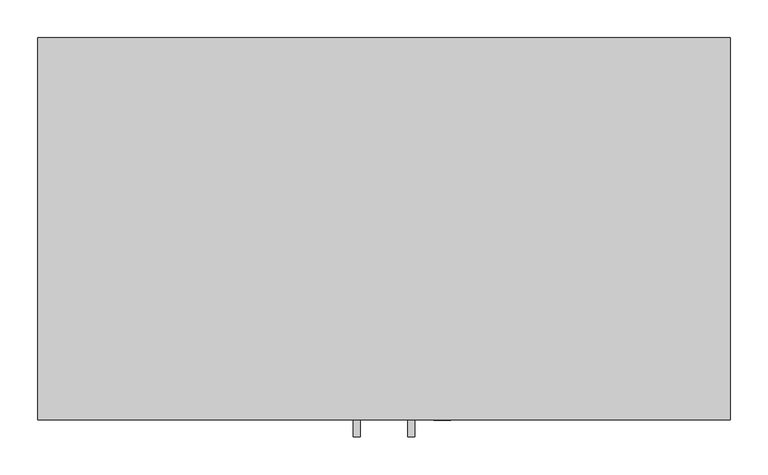
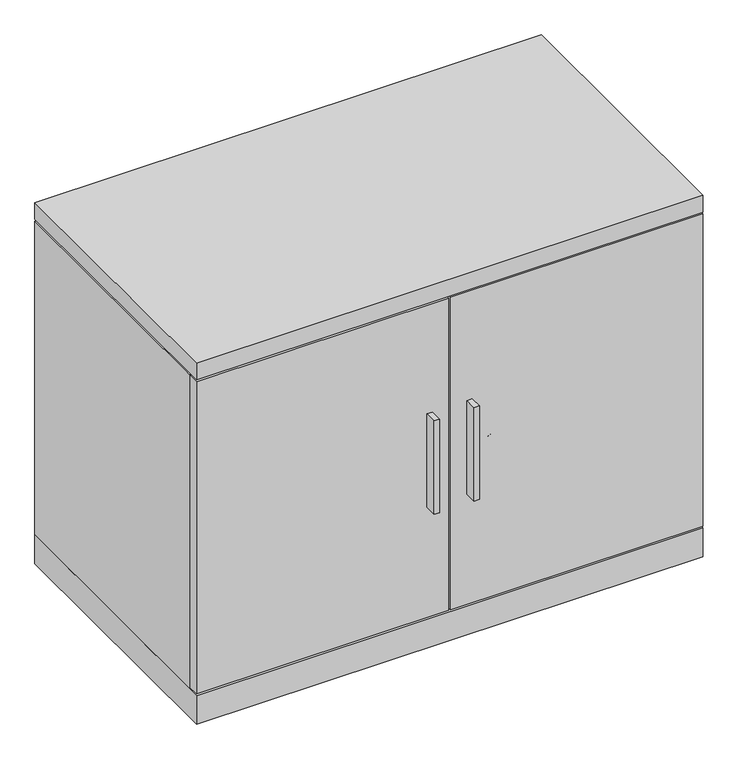
"""IFC4 building model written with IfcOpenShell, lengths in millimetres: furniture geometry."""

from ifc_helpers import new_model, si_unit, point, frame, frame_2d, origin, origin_with_axes, place, context, project, spatial, polyline, circle_curve, trimmed, segment, composite_curve, outline, extrude, faceted_brep, source, transform, mapped, element, save


def furniture_649ae58a(model_context):
    return source(origin(), model_context, "Body", "SolidModel", [
        extrude(outline(polyline([(416.4965, -527.2278), (416.4965, -505.0028), (426.0215, -505.0028), (426.0215, -527.2278), (416.4965, -527.2278)])), frame((0.0, 0.0, 270.5785861), z_axis=(0.0, 0.0, 1.0), x_axis=(1.0, 0.0, 0.0)), (0.0, 0.0, 1.0), 177.8),
        extrude(outline(polyline([(497.9035, -527.2278), (488.3785, -527.2278), (488.3785, -505.0028), (497.9035, -505.0028), (497.9035, -527.2278)])), frame((0.0, 0.0, 270.5785861), z_axis=(0.0, 0.0, 1.0), x_axis=(1.0, 0.0, 0.0)), (0.0, 0.0, 1.0), 177.8),
        extrude(outline(polyline([(912.8125, -1.524), (912.8125, -505.0028), (1.5875, -505.0028), (1.5875, -1.524), (912.8125, -1.524)])), frame((0.0, 0.0, 3.175), z_axis=(0.0, 0.0, 1.0), x_axis=(1.0, 0.0, 0.0)), (0.0, 0.0, 1.0), 54.74208),
        extrude(outline(polyline([(7.9375, -7.874), (906.4625, -7.874), (906.4625, -476.9358), (7.9375, -476.9358), (7.9375, -7.874)])), frame((0.0, 0.0, 654.81708), z_axis=(0.0, 0.0, 1.0), x_axis=(1.0, 0.0, 0.0)), (0.0, 0.0, 1.0), 3.175),
        extrude(outline(polyline([(1.5875, -485.6988), (455.6125, -485.6988), (455.6125, -505.0028), (1.5875, -505.0028), (1.5875, -485.6988)])), frame((0.0, 0.0, 61.09208), z_axis=(0.0, 0.0, 1.0), x_axis=(1.0, 0.0, 0.0)), (0.0, 0.0, 1.0), 593.725),
        extrude(outline(polyline([(458.7875, -485.6988), (912.8125, -485.6988), (912.8125, -505.0028), (458.7875, -505.0028), (458.7875, -485.6988)])), frame((0.0, 0.0, 61.09208), z_axis=(0.0, 0.0, 1.0), x_axis=(1.0, 0.0, 0.0)), (0.0, 0.0, 1.0), 593.725),
        extrude(outline(composite_curve([segment(trimmed(circle_curve(frame_2d((359.49128, 533.781)), 11.176), [point((359.49128, 544.957))], [point((359.49128, 522.605))], False, "CARTESIAN"), True, "CONTINUOUS"), segment(trimmed(circle_curve(frame_2d((359.49128, 533.781)), 11.176), [point((359.49128, 522.605))], [point((359.49128, 544.957))], False, "CARTESIAN"), True, "CONTINUOUS")], self_intersect=False)), frame((0.0, -505.2568, 0.0), z_axis=(0.0, 1.0, 0.0), x_axis=(0.0, 0.0, 1.0)), (0.0, 0.0, 1.0), 3.34772),
        extrude(outline(polyline([(46.1772, -27.7114), (61.8363, -36.7521856), (61.8363, -54.8337568), (46.1772, -63.8745424), (30.5181, -54.8337568), (30.5181, -36.7521856), (46.1772, -27.7114)])), origin_with_axes(), (0.0, 0.0, 1.0), 8.4328),
        extrude(outline(polyline([(46.1772, -478.8154), (30.5181, -469.7746144), (30.5181, -451.6930432), (46.1772, -442.6522576), (61.8363, -451.6930432), (61.8363, -469.7746144), (46.1772, -478.8154)])), origin_with_axes(), (0.0, 0.0, 1.0), 8.4328),
        extrude(outline(polyline([(868.2228, -27.7114), (883.8819, -36.7521856), (883.8819, -54.8337568), (868.2228, -63.8745424), (852.5637, -54.8337568), (852.5637, -36.7521856), (868.2228, -27.7114)])), origin_with_axes(), (0.0, 0.0, 1.0), 8.4328),
        extrude(outline(polyline([(868.2228, -478.8154), (852.5637, -469.7746144), (852.5637, -451.6930432), (868.2228, -442.6522576), (883.8819, -451.6930432), (883.8819, -469.7746144), (868.2228, -478.8154)])), origin_with_axes(), (0.0, 0.0, 1.0), 8.4328),
        extrude(outline(polyline([(912.8125, -505.0028), (1.5875, -505.0028), (1.5875, -1.524), (912.8125, -1.524), (912.8125, -505.0028)])), frame((0.0, 0.0, 657.99208), z_axis=(0.0, 0.0, 1.0), x_axis=(1.0, 0.0, 0.0)), (0.0, 0.0, 1.0), 31.75),
        faceted_brep([(912.8125, -483.2858, 654.81708), (1.5875, -483.2858, 654.81708), (1.5875, -483.2858, 57.91708), (20.8915, -483.2858, 57.91708), (20.8915, -483.2858, 635.51308), (893.5085, -483.2858, 635.51308), (893.5085, -483.2858, 57.91708), (912.8125, -483.2858, 57.91708), (912.8125, -1.524, 654.81708), (912.8125, -1.524, 57.91708), (1.5875, -1.524, 57.91708), (1.5875, -1.524, 654.81708), (893.5085, -20.828, 635.51308), (20.8915, -20.828, 635.51308), (20.8915, -20.828, 57.91708), (893.5085, -20.828, 57.91708)], [[[0, 1, 2, 3, 4, 5, 6, 7]], [[8, 9, 10, 11]], [[1, 0, 8, 11]], [[2, 1, 11, 10]], [[0, 7, 9, 8]], [[12, 13, 14, 15]], [[13, 12, 5, 4]], [[14, 13, 4, 3]], [[12, 15, 6, 5]], [[10, 9, 7, 6, 15, 14, 3, 2]]]),
    ])


if __name__ == "__main__":
    model = new_model("IFC4")
    model_context = context("Model", 3, world=origin())
    ifc_project = project(units=[si_unit("LENGTHUNIT", "METRE", prefix="MILLI")], contexts=[model_context])
    site = spatial("IfcSite", under=ifc_project)
    building = spatial("IfcBuilding", under=site)
    placement = place(None, origin())
    furniture_shape = furniture_649ae58a(model_context)
    element("IfcFurniture", 1, at=placement, inside=building, context=model_context, shape_type="MappedRepresentation", body=[
        mapped(furniture_shape, transform((0.0, 0.0, 0.0), x_axis=(1.0, 0.0, 0.0), y_axis=(0.0, 1.0, 0.0), z_axis=(0.0, 0.0, 1.0))),
    ])
    save(model, "model.ifc")
